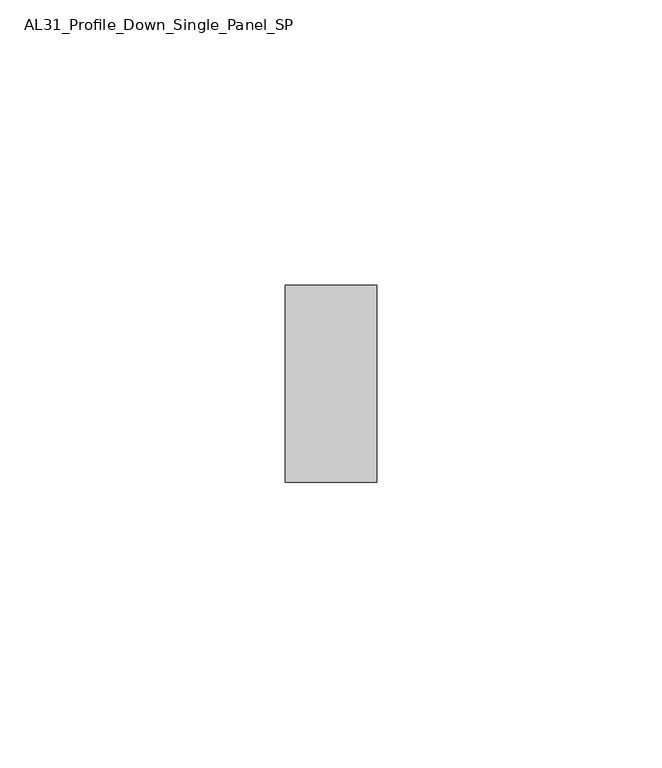
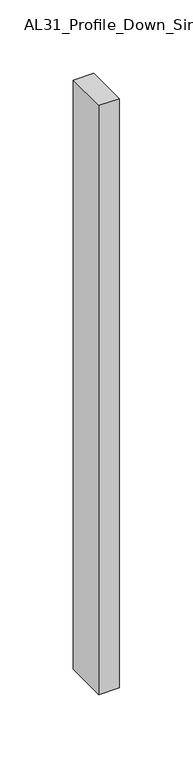
"""IFC4 building model written with IfcOpenShell, lengths in millimetres: member geometry, AL31_Profile_Down_Single_Panel_SP."""

import ifcopenshell
import ifcopenshell.guid

model = None  # the IFC model being written
_history = None  # IfcOwnerHistory: only IFC2X3 demands one
_inside = {}  # id of a spatial element -> (the spatial element, [elements in it])
_under = {}  # id of a project, library or spatial element -> (it, [spatial elements below it])
_declared = {}  # id of a project -> (the project, [libraries it declares])
_typed = {}  # id of a type object -> (the type object, [elements of that type])
_made_of = {}  # id of a material, layer set ... -> (it, [elements and type objects made of it])


def new_model(schema):
    """Start an empty IFC model of exactly this schema.

    Asked for "IFC4X3", IfcOpenShell would pick the latest addendum, in which some entities
    have other attributes; the version numbers below select the first issue.
    IFC2X3 requires an IfcOwnerHistory on every rooted entity: one is made here for all.
    """
    global model, _history
    if schema == "IFC4X3":
        model = ifcopenshell.file(schema_version=(4, 3, 0, 0))
    else:
        model = ifcopenshell.file(schema=schema)
    _inside.clear()
    _under.clear()
    _declared.clear()
    _typed.clear()
    _made_of.clear()
    _history = None
    if model.schema == "IFC2X3":
        org = make("IfcOrganization", Name="unknown")
        user = make(
            "IfcPersonAndOrganization",
            ThePerson=make("IfcPerson", FamilyName="unknown"),
            TheOrganization=org,
        )
        app = make(
            "IfcApplication",
            ApplicationDeveloper=org,
            Version="unknown",
            ApplicationFullName="unknown",
            ApplicationIdentifier="unknown",
        )
        _history = make(
            "IfcOwnerHistory",
            OwningUser=user,
            OwningApplication=app,
            ChangeAction="ADDED",
            CreationDate=0,
        )
    return model


def make(cls, **values):
    """One entity of the class cls with the attributes given. An attribute that is None is left unset."""
    return model.create_entity(
        cls, **{name: value for name, value in values.items() if value is not None}
    )


def rooted(cls, **values):
    """An entity with a GlobalId (a new one), such as an element, a storey or a relation."""
    return make(cls, GlobalId=ifcopenshell.guid.new(), OwnerHistory=_history, **values)


def si_unit(unit_type, name, prefix=None):
    """IfcSIUnit, for example si_unit("LENGTHUNIT", "METRE", prefix="MILLI")."""
    return make("IfcSIUnit", UnitType=unit_type, Prefix=prefix, Name=name)


def assignment(units):
    """IfcUnitAssignment: the units of a project."""
    return None if units is None else make("IfcUnitAssignment", Units=units)


def point(xyz):
    """IfcCartesianPoint."""
    return None if xyz is None else make("IfcCartesianPoint", Coordinates=xyz)


def direction(xyz):
    """IfcDirection."""
    return None if xyz is None else make("IfcDirection", DirectionRatios=xyz)


def frame(location, z_axis=None, x_axis=None):
    """IfcAxis2Placement3D, a coordinate frame: its origin and axes. An axis left out is left unset."""
    return make(
        "IfcAxis2Placement3D",
        Location=point(location),
        Axis=direction(z_axis),
        RefDirection=direction(x_axis),
    )


def origin():
    """The frame at (0, 0, 0) with its axes left unset."""
    return frame((0.0, 0.0, 0.0))


def place(relative_to, where):
    """IfcLocalPlacement: puts the frame where relative to a parent placement (None: the world)."""
    return make(
        "IfcLocalPlacement", PlacementRelTo=relative_to, RelativePlacement=where
    )


def context(
    kind, dimensions, precision=None, world=None, true_north=None, identifier=None
):
    """IfcGeometricRepresentationContext, for example the 3D "Model" context."""
    return make(
        "IfcGeometricRepresentationContext",
        ContextIdentifier=identifier,
        ContextType=kind,
        CoordinateSpaceDimension=dimensions,
        Precision=precision,
        WorldCoordinateSystem=world,
        TrueNorth=true_north,
    )


def project(units=None, contexts=None):
    """IfcProject with its units and contexts."""
    return rooted(
        "IfcProject",
        Name="project",
        RepresentationContexts=contexts,
        UnitsInContext=assignment(units),
    )


def spatial(cls, under=None, at=None, **own):
    """A site, building, storey or space (cls), placed at a placement, below another one or the project."""
    s = rooted(cls, ObjectPlacement=at, **own)
    if under is not None:
        _under.setdefault(under.id(), (under, []))[1].append(s)
    return s


def polyline(points):
    """IfcPolyline through the points."""
    return make("IfcPolyline", Points=[point(p) for p in points])


def outline(outer, holes=None, kind="AREA"):
    """IfcArbitraryClosedProfileDef: a profile drawn as a closed curve; with holes, ...WithVoids."""
    if holes is None:
        return make("IfcArbitraryClosedProfileDef", ProfileType=kind, OuterCurve=outer)
    return make(
        "IfcArbitraryProfileDefWithVoids",
        ProfileType=kind,
        OuterCurve=outer,
        InnerCurves=holes,
    )


def extrude(swept, where, along, depth):
    """IfcExtrudedAreaSolid: the profile swept, set in the frame where, extruded along a direction by depth."""
    return make(
        "IfcExtrudedAreaSolid",
        SweptArea=swept,
        Position=where,
        ExtrudedDirection=direction(along),
        Depth=depth,
    )


def shape(context_of_items, identifier, shape_type, items):
    """IfcShapeRepresentation: the items that make up one representation, for example the "Body"."""
    return make(
        "IfcShapeRepresentation",
        ContextOfItems=context_of_items,
        RepresentationIdentifier=identifier,
        RepresentationType=shape_type,
        Items=items,
    )


def source(mapping_origin, context_of_items, identifier, shape_type, items):
    """IfcRepresentationMap: a shape defined once, which mapped items show again and again."""
    return make(
        "IfcRepresentationMap",
        MappingOrigin=mapping_origin,
        MappedRepresentation=shape(context_of_items, identifier, shape_type, items),
    )


def transform(
    local_origin,
    x_axis=None,
    y_axis=None,
    z_axis=None,
    scale=None,
    scale2=None,
    scale3=None,
    uniform=True,
):
    """IfcCartesianTransformationOperator3D, or its non-uniform kind. x_axis, y_axis, z_axis: its Axis1, 2, 3."""
    if uniform:
        return make(
            "IfcCartesianTransformationOperator3D",
            Axis1=direction(x_axis),
            Axis2=direction(y_axis),
            LocalOrigin=point(local_origin),
            Scale=scale,
            Axis3=direction(z_axis),
        )
    return make(
        "IfcCartesianTransformationOperator3DnonUniform",
        Axis1=direction(x_axis),
        Axis2=direction(y_axis),
        LocalOrigin=point(local_origin),
        Scale=scale,
        Axis3=direction(z_axis),
        Scale2=scale2,
        Scale3=scale3,
    )


def mapped(mapping_source, mapping_target):
    """IfcMappedItem: shows the shape of a source again, moved by a transform."""
    return make(
        "IfcMappedItem", MappingSource=mapping_source, MappingTarget=mapping_target
    )


def made_of(thing, what):
    """Note that an element or type object is made of a material, layer set ...; save() writes the relation."""
    if what is not None:
        _made_of.setdefault(what.id(), (what, []))[1].append(thing)
    return thing


def element(
    cls,
    number,
    at=None,
    inside=None,
    cuts=None,
    type_object=None,
    material=None,
    context=None,
    identifier="Body",
    shape_type=None,
    held_by="IfcProductDefinitionShape",
    body=None,
    shapes=None,
    **own,
):
    """One element of the class cls, such as IfcWall. Its Tag is "e" and its number.

    at: its placement. inside: the storey or other place that contains it. cuts: it is an
    opening in that element (IfcRelVoidsElement). A single representation is given by context,
    identifier, shape_type and body (its items); several are given by shapes. held_by: the class
    of the entity that holds the representations. save() writes the other relations.
    """
    e = rooted(cls, Tag="e%d" % number, ObjectPlacement=at, **own)
    if body is not None:
        shapes = [shape(context, identifier, shape_type, body)]
    if shapes is not None:
        e.Representation = make(held_by, Representations=shapes)
    if inside is not None:
        _inside.setdefault(inside.id(), (inside, []))[1].append(e)
    if cuts is not None:
        rooted(
            "IfcRelVoidsElement", RelatingBuildingElement=cuts, RelatedOpeningElement=e
        )
    if type_object is not None:
        _typed.setdefault(type_object.id(), (type_object, []))[1].append(e)
    return made_of(e, material)


def aggregate(whole, parts):
    """IfcRelAggregates: a whole, such as a stair, and the parts it consists of."""
    return rooted("IfcRelAggregates", RelatingObject=whole, RelatedObjects=parts)


def save(model, path):
    """Write the relations noted so far, then the file.

    IfcRelAggregates (storeys below a building ...), IfcRelContainedInSpatialStructure (elements
    in a storey), IfcRelDefinesByType, IfcRelAssociatesMaterial and IfcRelDeclares: one each for
    every whole, place, type object, material and project.
    """
    for whole, parts in _under.values():
        aggregate(whole, parts)
    for where, things in _inside.values():
        rooted(
            "IfcRelContainedInSpatialStructure",
            RelatedElements=things,
            RelatingStructure=where,
        )
    for kind, things in _typed.values():
        rooted("IfcRelDefinesByType", RelatedObjects=things, RelatingType=kind)
    for what, things in _made_of.values():
        rooted("IfcRelAssociatesMaterial", RelatedObjects=things, RelatingMaterial=what)
    for by, libraries in _declared.values():
        rooted("IfcRelDeclares", RelatingContext=by, RelatedDefinitions=libraries)
    model.write(path)


def al31_profile_down_single_panel_sp_0c644f84(model_context):
    return source(origin(), model_context, "Body", "SweptSolid", [
        extrude(outline(polyline([(0.0, 17.25), (0.0, -17.25), (-16.0, -17.25), (-16.0, 17.25), (0.0, 17.25)])), frame((0.0, 0.0, -489.9001021), z_axis=(0.0, 0.0, 1.0), x_axis=(1.0, 0.0, 0.0)), (0.0, 0.0, 1.0), 489.9001021),
    ])


if __name__ == "__main__":
    model = new_model("IFC4")
    model_context = context("Model", 3, world=origin())
    ifc_project = project(units=[si_unit("LENGTHUNIT", "METRE", prefix="MILLI")], contexts=[model_context])
    site = spatial("IfcSite", under=ifc_project)
    building = spatial("IfcBuilding", under=site)
    placement = place(None, origin())
    al31_profile_down_single_panel_sp_shape = al31_profile_down_single_panel_sp_0c644f84(model_context)
    element("IfcMember", 1, ObjectType="AL31_Profile_Down_Single_Panel_SP", at=placement, inside=building, context=model_context, shape_type="MappedRepresentation", body=[
        mapped(al31_profile_down_single_panel_sp_shape, transform((0.0, 0.0, 0.0), x_axis=(1.0, 0.0, 0.0), y_axis=(0.0, 1.0, 0.0), z_axis=(0.0, 0.0, 1.0))),
    ])
    save(model, "model.ifc")
